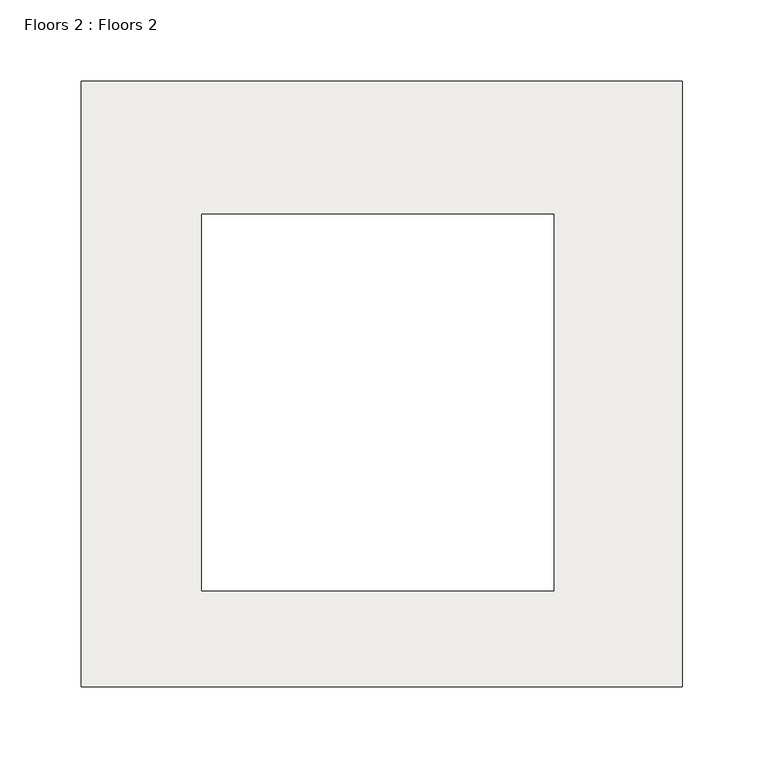
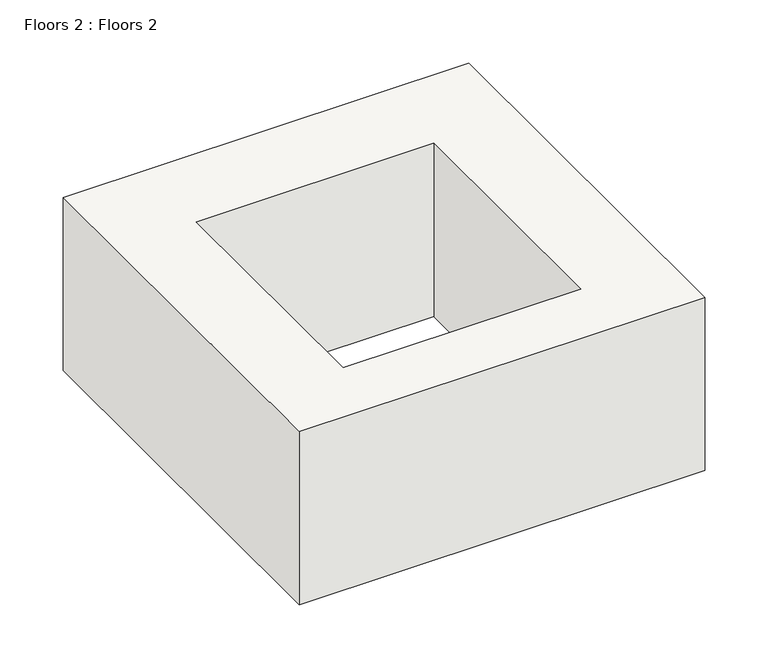
"""IFC4 building model written with IfcOpenShell, lengths in millimetres: slab geometry, Floors 2 : Floors 2."""

from ifc_helpers import new_model, si_unit, frame, origin, place, context, project, spatial, polyline, outline, extrude, source, transform, mapped, element, save


def floors_2_floors_2_85a80e70(model_context):
    return source(origin(), model_context, "Body", "SweptSolid", [
        extrude(outline(polyline([(-40704.1862365, 52418.573303), (-41073.5423559, 52418.573303), (-41073.5423559, 52790.5948669), (-40704.1862365, 52790.5948669), (-40704.1862365, 52418.573303)]), holes=[polyline([(-40999.4009562, 52709.0385842), (-40999.4009562, 52477.3875934), (-40783.0875881, 52477.3875934), (-40783.0875881, 52709.0385842), (-40999.4009562, 52709.0385842)])]), frame((0.0, 0.0, 108024.1238275), z_axis=(0.0, 0.0, 1.0), x_axis=(1.0, 0.0, 0.0)), (0.0, 0.0, 1.0), 166.8224662),
    ])


if __name__ == "__main__":
    model = new_model("IFC4")
    model_context = context("Model", 3, world=origin())
    ifc_project = project(units=[si_unit("LENGTHUNIT", "METRE", prefix="MILLI")], contexts=[model_context])
    site = spatial("IfcSite", under=ifc_project)
    building = spatial("IfcBuilding", under=site)
    placement = place(None, origin())
    floors_2_floors_2_shape = floors_2_floors_2_85a80e70(model_context)
    element("IfcSlab", 1, ObjectType="Floors 2 : Floors 2", at=placement, inside=building, context=model_context, shape_type="MappedRepresentation", body=[
        mapped(floors_2_floors_2_shape, transform((0.0, 0.0, 0.0), x_axis=(1.0, 0.0, 0.0), y_axis=(0.0, 1.0, 0.0), z_axis=(0.0, 0.0, 1.0))),
    ])
    save(model, "model.ifc")
